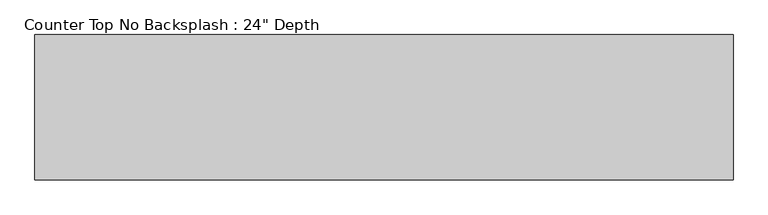
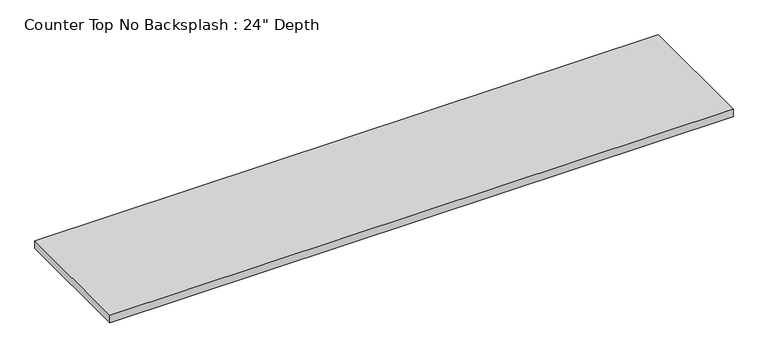
"""IFC4 building model written with IfcOpenShell, lengths in millimetres: furniture geometry."""

from ifc_helpers import new_model, si_unit, frame, origin, place, context, project, spatial, polyline, outline, extrude, source, transform, mapped, element, save


def furniture_1480ff14(model_context):
    return source(origin(), model_context, "Body", "SweptSolid", [
        extrude(outline(polyline([(1847.5377049, 0.0), (1847.5377049, -635.0), (-1200.4622951, -635.0), (-1200.4622951, 0.0), (1847.5377049, 0.0)])), frame((0.0, 0.0, 876.3), z_axis=(0.0, 0.0, 1.0), x_axis=(1.0, 0.0, 0.0)), (0.0, 0.0, 1.0), 38.1),
    ])


if __name__ == "__main__":
    model = new_model("IFC4")
    model_context = context("Model", 3, world=origin())
    ifc_project = project(units=[si_unit("LENGTHUNIT", "METRE", prefix="MILLI")], contexts=[model_context])
    site = spatial("IfcSite", under=ifc_project)
    building = spatial("IfcBuilding", under=site)
    placement = place(None, origin())
    furniture_shape = furniture_1480ff14(model_context)
    element("IfcFurniture", 1, ObjectType="Counter Top No Backsplash : 24\" Depth", at=placement, inside=building, context=model_context, shape_type="MappedRepresentation", body=[
        mapped(furniture_shape, transform((0.0, 0.0, 0.0), x_axis=(1.0, 0.0, 0.0), y_axis=(0.0, 1.0, 0.0), z_axis=(0.0, 0.0, 1.0))),
    ])
    save(model, "model.ifc")
